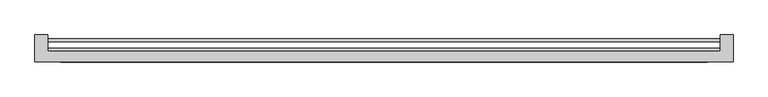
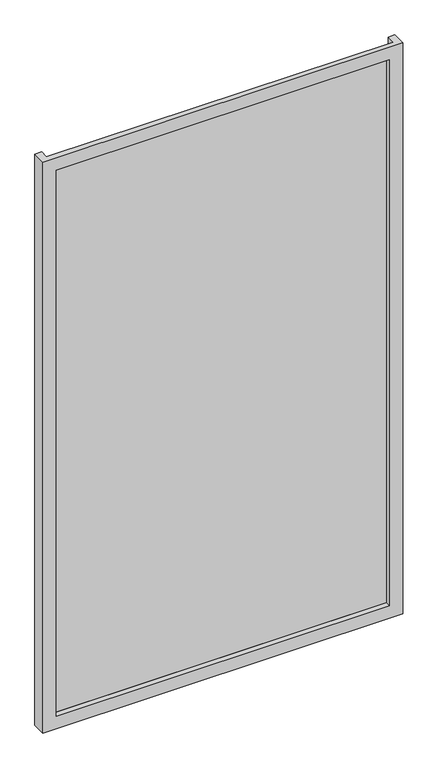
"""IFC4 building model written with IfcOpenShell, lengths in millimetres: plate geometry."""

from ifc_helpers import new_model, si_unit, origin, origin_with_axes, place, context, project, spatial, polyline, outline, extrude, faceted_brep, source, transform, mapped, element, save


def plate_1d694a1b(model_context):
    return source(origin(), model_context, "Body", "SolidModel", [
        faceted_brep([(675.0, -51.0, -50.0), (675.0, -103.0, -50.0), (-675.0, -103.0, -50.0), (-675.0, -51.0, -50.0), (-650.0, -51.0, -50.0), (-650.0, -83.0, -50.0), (650.0, -83.0, -50.0), (650.0, -51.0, -50.0), (625.0, -103.0, 0.0), (625.0, -83.0, 0.0), (-625.0, -83.0, 0.0), (-625.0, -103.0, 0.0), (675.0, -103.0, 2215.0), (-675.0, -103.0, 2215.0), (-625.0, -103.0, 2165.0), (625.0, -103.0, 2165.0), (-650.0, -83.0, 2215.0), (650.0, -83.0, 2215.0), (625.0, -83.0, 2165.0), (-625.0, -83.0, 2165.0), (675.0, -51.0, 2215.0), (650.0, -51.0, 2215.0), (-650.0, -51.0, 2215.0), (-675.0, -51.0, 2215.0)], [[[0, 1, 2, 3, 4, 5, 6, 7]], [[8, 9, 10, 11]], [[12, 13, 2, 1], [11, 14, 15, 8]], [[16, 17, 6, 5], [9, 18, 19, 10]], [[20, 21, 17, 16, 22, 23, 13, 12]], [[20, 0, 7, 21]], [[21, 7, 6, 17]], [[8, 15, 18, 9]], [[12, 1, 0, 20]], [[22, 4, 3, 23]], [[16, 5, 4, 22]], [[10, 19, 14, 11]], [[23, 3, 2, 13]], [[18, 15, 14, 19]]]),
        extrude(outline(polyline([(650.0, -77.0), (650.0, -83.0), (-650.0, -83.0), (-650.0, -77.0), (650.0, -77.0)])), origin_with_axes(), (0.0, 0.0, 1.0), 2165.0),
        extrude(outline(polyline([(650.0, -64.4), (-650.0, -64.4), (-650.0, -58.0), (650.0, -58.0), (650.0, -64.4)])), origin_with_axes(), (0.0, 0.0, 1.0), 2165.0),
    ])


if __name__ == "__main__":
    model = new_model("IFC4")
    model_context = context("Model", 3, world=origin())
    ifc_project = project(units=[si_unit("LENGTHUNIT", "METRE", prefix="MILLI")], contexts=[model_context])
    site = spatial("IfcSite", under=ifc_project)
    building = spatial("IfcBuilding", under=site)
    placement = place(None, origin())
    plate_shape = plate_1d694a1b(model_context)
    element("IfcPlate", 1, at=placement, inside=building, context=model_context, shape_type="MappedRepresentation", body=[
        mapped(plate_shape, transform((0.0, 0.0, 0.0), x_axis=(1.0, 0.0, 0.0), y_axis=(0.0, 1.0, 0.0), z_axis=(0.0, 0.0, 1.0))),
    ])
    save(model, "model.ifc")
